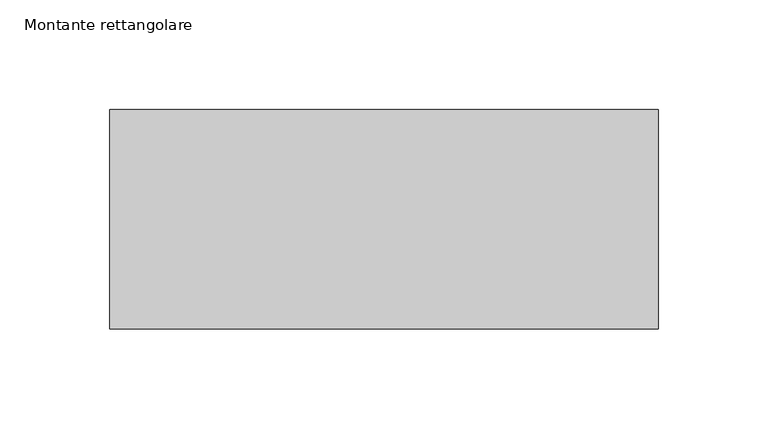
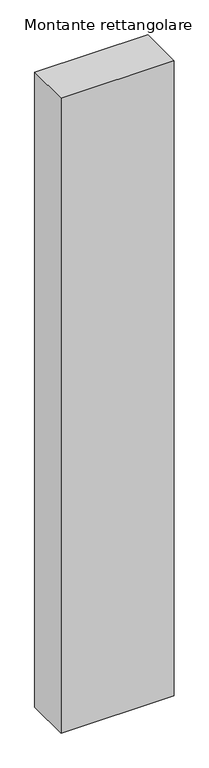
"""IFC4 building model written with IfcOpenShell, lengths in millimetres: member geometry, Montante rettangolare."""

from ifc_helpers import new_model, si_unit, frame, origin, place, context, project, spatial, polyline, outline, extrude, source, transform, mapped, element, save


def montante_rettangolare_8ef8834e(model_context):
    return source(origin(), model_context, "Body", "SweptSolid", [
        extrude(outline(polyline([(125.0, 50.0), (125.0, -50.0), (-125.0, -50.0), (-125.0, 50.0), (125.0, 50.0)])), frame((0.0, 0.0, -1480.0), z_axis=(0.0, 0.0, 1.0), x_axis=(1.0, 0.0, 0.0)), (0.0, 0.0, 1.0), 1480.0),
    ])


if __name__ == "__main__":
    model = new_model("IFC4")
    model_context = context("Model", 3, world=origin())
    ifc_project = project(units=[si_unit("LENGTHUNIT", "METRE", prefix="MILLI")], contexts=[model_context])
    site = spatial("IfcSite", under=ifc_project)
    building = spatial("IfcBuilding", under=site)
    placement = place(None, origin())
    montante_rettangolare_shape = montante_rettangolare_8ef8834e(model_context)
    element("IfcMember", 1, ObjectType="Montante rettangolare", at=placement, inside=building, context=model_context, shape_type="MappedRepresentation", body=[
        mapped(montante_rettangolare_shape, transform((0.0, 0.0, 0.0), x_axis=(1.0, 0.0, 0.0), y_axis=(0.0, 1.0, 0.0), z_axis=(0.0, 0.0, 1.0))),
    ])
    save(model, "model.ifc")
